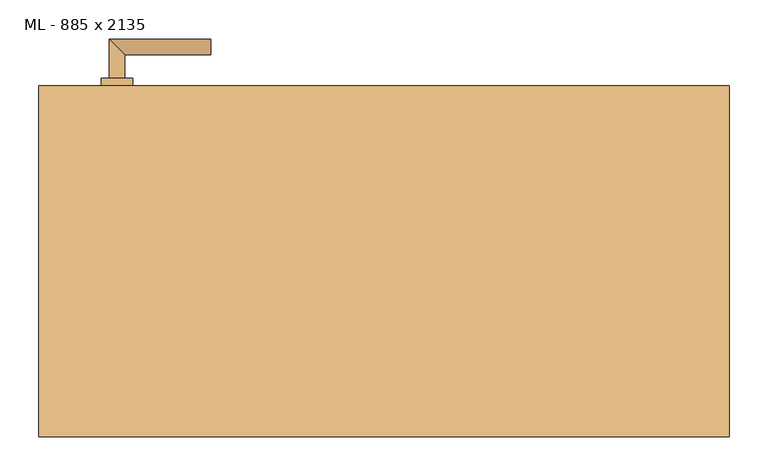
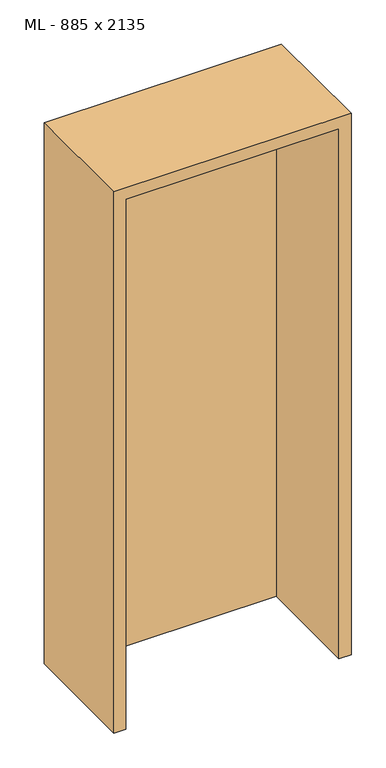
"""IFC4 building model written with IfcOpenShell, lengths in millimetres: door geometry, ML - 885 x 2135."""

import ifcopenshell
import ifcopenshell.guid

model = None  # the IFC model being written
_history = None  # IfcOwnerHistory: only IFC2X3 demands one
_inside = {}  # id of a spatial element -> (the spatial element, [elements in it])
_under = {}  # id of a project, library or spatial element -> (it, [spatial elements below it])
_declared = {}  # id of a project -> (the project, [libraries it declares])
_typed = {}  # id of a type object -> (the type object, [elements of that type])
_made_of = {}  # id of a material, layer set ... -> (it, [elements and type objects made of it])


def new_model(schema):
    """Start an empty IFC model of exactly this schema.

    Asked for "IFC4X3", IfcOpenShell would pick the latest addendum, in which some entities
    have other attributes; the version numbers below select the first issue.
    IFC2X3 requires an IfcOwnerHistory on every rooted entity: one is made here for all.
    """
    global model, _history
    if schema == "IFC4X3":
        model = ifcopenshell.file(schema_version=(4, 3, 0, 0))
    else:
        model = ifcopenshell.file(schema=schema)
    _inside.clear()
    _under.clear()
    _declared.clear()
    _typed.clear()
    _made_of.clear()
    _history = None
    if model.schema == "IFC2X3":
        org = make("IfcOrganization", Name="unknown")
        user = make(
            "IfcPersonAndOrganization",
            ThePerson=make("IfcPerson", FamilyName="unknown"),
            TheOrganization=org,
        )
        app = make(
            "IfcApplication",
            ApplicationDeveloper=org,
            Version="unknown",
            ApplicationFullName="unknown",
            ApplicationIdentifier="unknown",
        )
        _history = make(
            "IfcOwnerHistory",
            OwningUser=user,
            OwningApplication=app,
            ChangeAction="ADDED",
            CreationDate=0,
        )
    return model


def make(cls, **values):
    """One entity of the class cls with the attributes given. An attribute that is None is left unset."""
    return model.create_entity(
        cls, **{name: value for name, value in values.items() if value is not None}
    )


def rooted(cls, **values):
    """An entity with a GlobalId (a new one), such as an element, a storey or a relation."""
    return make(cls, GlobalId=ifcopenshell.guid.new(), OwnerHistory=_history, **values)


def si_unit(unit_type, name, prefix=None):
    """IfcSIUnit, for example si_unit("LENGTHUNIT", "METRE", prefix="MILLI")."""
    return make("IfcSIUnit", UnitType=unit_type, Prefix=prefix, Name=name)


def assignment(units):
    """IfcUnitAssignment: the units of a project."""
    return None if units is None else make("IfcUnitAssignment", Units=units)


def point(xyz):
    """IfcCartesianPoint."""
    return None if xyz is None else make("IfcCartesianPoint", Coordinates=xyz)


def direction(xyz):
    """IfcDirection."""
    return None if xyz is None else make("IfcDirection", DirectionRatios=xyz)


def frame(location, z_axis=None, x_axis=None):
    """IfcAxis2Placement3D, a coordinate frame: its origin and axes. An axis left out is left unset."""
    return make(
        "IfcAxis2Placement3D",
        Location=point(location),
        Axis=direction(z_axis),
        RefDirection=direction(x_axis),
    )


def frame_2d(location, x_axis=None):
    """IfcAxis2Placement2D, a coordinate frame in the plane: its origin and x axis."""
    return make(
        "IfcAxis2Placement2D", Location=point(location), RefDirection=direction(x_axis)
    )


def origin():
    """The frame at (0, 0, 0) with its axes left unset."""
    return frame((0.0, 0.0, 0.0))


def origin_with_axes():
    """The frame at (0, 0, 0) with the z axis (0, 0, 1) and the x axis (1, 0, 0) written out."""
    return frame((0.0, 0.0, 0.0), z_axis=(0.0, 0.0, 1.0), x_axis=(1.0, 0.0, 0.0))


def place(relative_to, where):
    """IfcLocalPlacement: puts the frame where relative to a parent placement (None: the world)."""
    return make(
        "IfcLocalPlacement", PlacementRelTo=relative_to, RelativePlacement=where
    )


def context(
    kind, dimensions, precision=None, world=None, true_north=None, identifier=None
):
    """IfcGeometricRepresentationContext, for example the 3D "Model" context."""
    return make(
        "IfcGeometricRepresentationContext",
        ContextIdentifier=identifier,
        ContextType=kind,
        CoordinateSpaceDimension=dimensions,
        Precision=precision,
        WorldCoordinateSystem=world,
        TrueNorth=true_north,
    )


def project(units=None, contexts=None):
    """IfcProject with its units and contexts."""
    return rooted(
        "IfcProject",
        Name="project",
        RepresentationContexts=contexts,
        UnitsInContext=assignment(units),
    )


def spatial(cls, under=None, at=None, **own):
    """A site, building, storey or space (cls), placed at a placement, below another one or the project."""
    s = rooted(cls, ObjectPlacement=at, **own)
    if under is not None:
        _under.setdefault(under.id(), (under, []))[1].append(s)
    return s


def polyline(points):
    """IfcPolyline through the points."""
    return make("IfcPolyline", Points=[point(p) for p in points])


def circle_curve(where, radius):
    """IfcCircle in the frame where."""
    return make("IfcCircle", Position=where, Radius=radius)


def ellipse_curve(where, semi_axis1, semi_axis2):
    """IfcEllipse in the frame where."""
    return make(
        "IfcEllipse", Position=where, SemiAxis1=semi_axis1, SemiAxis2=semi_axis2
    )


def trimmed(basis, trim1, trim2, sense, master):
    """IfcTrimmedCurve: the piece of a basis curve between two trims."""
    return make(
        "IfcTrimmedCurve",
        BasisCurve=basis,
        Trim1=trim1,
        Trim2=trim2,
        SenseAgreement=sense,
        MasterRepresentation=master,
    )


def segment(curve, same_sense, transition):
    """IfcCompositeCurveSegment."""
    return make(
        "IfcCompositeCurveSegment",
        Transition=transition,
        SameSense=same_sense,
        ParentCurve=curve,
    )


def composite_curve(segments, self_intersect=None):
    """IfcCompositeCurve: segments joined end to end."""
    return make("IfcCompositeCurve", Segments=segments, SelfIntersect=self_intersect)


def outline(outer, holes=None, kind="AREA"):
    """IfcArbitraryClosedProfileDef: a profile drawn as a closed curve; with holes, ...WithVoids."""
    if holes is None:
        return make("IfcArbitraryClosedProfileDef", ProfileType=kind, OuterCurve=outer)
    return make(
        "IfcArbitraryProfileDefWithVoids",
        ProfileType=kind,
        OuterCurve=outer,
        InnerCurves=holes,
    )


def extrude(swept, where, along, depth):
    """IfcExtrudedAreaSolid: the profile swept, set in the frame where, extruded along a direction by depth."""
    return make(
        "IfcExtrudedAreaSolid",
        SweptArea=swept,
        Position=where,
        ExtrudedDirection=direction(along),
        Depth=depth,
    )


def faces_of(points, faces, orient=None, outer=None):
    """IfcFace entities. A face is a list of loops; a loop is a list of indices into points, from 0.

    orient and outer hold one flag for each loop. By default every Orientation is true, the
    first loop of a face is its IfcFaceOuterBound and the others are IfcFaceBound.
    """
    made = []
    for i, loops in enumerate(faces):
        bounds = []
        for j, loop in enumerate(loops):
            is_outer = j == 0 if outer is None else outer[i][j]
            bounds.append(
                make(
                    "IfcFaceOuterBound" if is_outer else "IfcFaceBound",
                    Bound=make("IfcPolyLoop", Polygon=[points[k] for k in loop]),
                    Orientation=True if orient is None else orient[i][j],
                )
            )
        made.append(make("IfcFace", Bounds=bounds))
    return made


def faceted_brep(points, faces, orient=None, outer=None, voids=None):
    """IfcFacetedBrep: a solid bounded by flat faces; with voids (closed shells), ...WithVoids."""
    shared = [point(p) for p in points]
    hull = make("IfcClosedShell", CfsFaces=faces_of(shared, faces, orient, outer))
    if voids is None:
        return make("IfcFacetedBrep", Outer=hull)
    return make(
        "IfcFacetedBrepWithVoids",
        Outer=hull,
        Voids=[
            make(cls, CfsFaces=faces_of(shared, fs, o, b)) for cls, fs, o, b in voids
        ],
    )


def shape(context_of_items, identifier, shape_type, items):
    """IfcShapeRepresentation: the items that make up one representation, for example the "Body"."""
    return make(
        "IfcShapeRepresentation",
        ContextOfItems=context_of_items,
        RepresentationIdentifier=identifier,
        RepresentationType=shape_type,
        Items=items,
    )


def source(mapping_origin, context_of_items, identifier, shape_type, items):
    """IfcRepresentationMap: a shape defined once, which mapped items show again and again."""
    return make(
        "IfcRepresentationMap",
        MappingOrigin=mapping_origin,
        MappedRepresentation=shape(context_of_items, identifier, shape_type, items),
    )


def transform(
    local_origin,
    x_axis=None,
    y_axis=None,
    z_axis=None,
    scale=None,
    scale2=None,
    scale3=None,
    uniform=True,
):
    """IfcCartesianTransformationOperator3D, or its non-uniform kind. x_axis, y_axis, z_axis: its Axis1, 2, 3."""
    if uniform:
        return make(
            "IfcCartesianTransformationOperator3D",
            Axis1=direction(x_axis),
            Axis2=direction(y_axis),
            LocalOrigin=point(local_origin),
            Scale=scale,
            Axis3=direction(z_axis),
        )
    return make(
        "IfcCartesianTransformationOperator3DnonUniform",
        Axis1=direction(x_axis),
        Axis2=direction(y_axis),
        LocalOrigin=point(local_origin),
        Scale=scale,
        Axis3=direction(z_axis),
        Scale2=scale2,
        Scale3=scale3,
    )


def mapped(mapping_source, mapping_target):
    """IfcMappedItem: shows the shape of a source again, moved by a transform."""
    return make(
        "IfcMappedItem", MappingSource=mapping_source, MappingTarget=mapping_target
    )


def made_of(thing, what):
    """Note that an element or type object is made of a material, layer set ...; save() writes the relation."""
    if what is not None:
        _made_of.setdefault(what.id(), (what, []))[1].append(thing)
    return thing


def element(
    cls,
    number,
    at=None,
    inside=None,
    cuts=None,
    type_object=None,
    material=None,
    context=None,
    identifier="Body",
    shape_type=None,
    held_by="IfcProductDefinitionShape",
    body=None,
    shapes=None,
    **own,
):
    """One element of the class cls, such as IfcWall. Its Tag is "e" and its number.

    at: its placement. inside: the storey or other place that contains it. cuts: it is an
    opening in that element (IfcRelVoidsElement). A single representation is given by context,
    identifier, shape_type and body (its items); several are given by shapes. held_by: the class
    of the entity that holds the representations. save() writes the other relations.
    """
    e = rooted(cls, Tag="e%d" % number, ObjectPlacement=at, **own)
    if body is not None:
        shapes = [shape(context, identifier, shape_type, body)]
    if shapes is not None:
        e.Representation = make(held_by, Representations=shapes)
    if inside is not None:
        _inside.setdefault(inside.id(), (inside, []))[1].append(e)
    if cuts is not None:
        rooted(
            "IfcRelVoidsElement", RelatingBuildingElement=cuts, RelatedOpeningElement=e
        )
    if type_object is not None:
        _typed.setdefault(type_object.id(), (type_object, []))[1].append(e)
    return made_of(e, material)


def aggregate(whole, parts):
    """IfcRelAggregates: a whole, such as a stair, and the parts it consists of."""
    return rooted("IfcRelAggregates", RelatingObject=whole, RelatedObjects=parts)


def save(model, path):
    """Write the relations noted so far, then the file.

    IfcRelAggregates (storeys below a building ...), IfcRelContainedInSpatialStructure (elements
    in a storey), IfcRelDefinesByType, IfcRelAssociatesMaterial and IfcRelDeclares: one each for
    every whole, place, type object, material and project.
    """
    for whole, parts in _under.values():
        aggregate(whole, parts)
    for where, things in _inside.values():
        rooted(
            "IfcRelContainedInSpatialStructure",
            RelatedElements=things,
            RelatingStructure=where,
        )
    for kind, things in _typed.values():
        rooted("IfcRelDefinesByType", RelatedObjects=things, RelatingType=kind)
    for what, things in _made_of.values():
        rooted("IfcRelAssociatesMaterial", RelatedObjects=things, RelatingMaterial=what)
    for by, libraries in _declared.values():
        rooted("IfcRelDeclares", RelatingContext=by, RelatedDefinitions=libraries)
    model.write(path)


def plane_surface(at):
    """IfcPlane: the flat surface through the origin of the frame at, square to its z axis."""
    return make("IfcPlane", Position=at)


def cylinder_surface(at, radius):
    """IfcCylindricalSurface: all points at the distance radius from the z axis of the frame at."""
    return make("IfcCylindricalSurface", Position=at, Radius=radius)


def advanced_brep(points, edges, surfaces, faces):
    """IfcAdvancedBrep: a solid bounded by faces that lie on surfaces and meet in shared edges.

    An edge is (start, end): straight between two places in points (the first is 0);
    or (start, end, curve); or (start, end, curve, False) where it runs against its curve.
    A face is (place in surfaces, loops), or (place, loops, False) where it looks against
    its surface's normal. A loop lists edges by number (the first is 1), with a minus sign
    where the edge is run from its end to its start. The first loop is the outer one.
    """
    corners = [point(p) for p in points]
    vertices = [make("IfcVertexPoint", VertexGeometry=c) for c in corners]
    made = []
    for start, end, *more in edges:
        made.append(
            make(
                "IfcEdgeCurve",
                EdgeStart=vertices[start],
                EdgeEnd=vertices[end],
                EdgeGeometry=more[0] if more else make("IfcPolyline", Points=[corners[start], corners[end]]),
                SameSense=more[1] if len(more) > 1 else True,
            )
        )
    hull = []
    for where, loops, *sense in faces:
        bounds = []
        for j, loop in enumerate(loops):
            ring = [make("IfcOrientedEdge", EdgeElement=made[abs(k) - 1], Orientation=k > 0) for k in loop]
            bounds.append(
                make(
                    "IfcFaceOuterBound" if j == 0 else "IfcFaceBound",
                    Bound=make("IfcEdgeLoop", EdgeList=ring),
                    Orientation=True,
                )
            )
        hull.append(make("IfcAdvancedFace", Bounds=bounds, FaceSurface=surfaces[where], SameSense=sense[0] if sense else True))
    return make("IfcAdvancedBrep", Outer=make("IfcClosedShell", CfsFaces=hull))


def ml_885_x_2135_4ef74709(model_context):
    return source(origin(), model_context, "Body", "SolidModel", [
        extrude(outline(polyline([(408.5, 225.0), (408.5, 180.0), (-408.5, 180.0), (-408.5, 225.0), (408.5, 225.0)])), origin_with_axes(), (0.0, 0.0, 1.0), 2101.0),
        advanced_brep(
        [(-332.5, 235.0, 1050.0), (-352.5, 235.0, 1050.0), (-332.5, 265.0, 1050.0), (-352.5, 285.0, 1050.0), (-222.5, 265.0, 1050.0), (-222.5, 285.0, 1050.0)],
        [
            (0, 1, circle_curve(frame((-342.5, 235.0, 1050.0), z_axis=(0.0, -1.0, 0.0), x_axis=(-1.0, 0.0, 0.0)), 10.0)),
            (1, 0, circle_curve(frame((-342.5, 235.0, 1050.0), z_axis=(0.0, -1.0, 0.0), x_axis=(-1.0, 0.0, 0.0)), 10.0)),
            (0, 2),
            (2, 3, ellipse_curve(frame((-342.5, 275.0, 1050.0), z_axis=(-0.7071067811865531, -0.7071067811865419, 0.0), x_axis=(0.707106781186542, -0.707106781186553, 0.0)), 14.1421356, 10.0)),
            (3, 1),
            (3, 2, ellipse_curve(frame((-342.5, 275.0, 1050.0), z_axis=(-0.7071067811865531, -0.7071067811865419, 0.0), x_axis=(0.707106781186542, -0.707106781186553, 0.0)), 14.1421356, 10.0)),
            (4, 5, circle_curve(frame((-222.5, 275.0, 1050.0), z_axis=(1.0, 0.0, 0.0), x_axis=(0.0, 1.0, 0.0)), 10.0)),
            (5, 4, circle_curve(frame((-222.5, 275.0, 1050.0), z_axis=(1.0, 0.0, 0.0), x_axis=(0.0, 1.0, 0.0)), 10.0)),
            (2, 4),
            (5, 3),
        ],
        [
            plane_surface(frame((-342.5, 235.0, 1050.0), z_axis=(0.0, -1.0, 0.0), x_axis=(0.0, 0.0, 1.0))),
            cylinder_surface(frame((-342.5, 235.0, 1050.0), z_axis=(0.0, -1.0, 0.0), x_axis=(-1.0, 0.0, 0.0)), 10.0),
            plane_surface(frame((-222.5, 275.0, 1050.0), z_axis=(1.0, 0.0, 0.0), x_axis=(0.0, 0.0, 1.0))),
            cylinder_surface(frame((-342.5, 275.0, 1050.0), z_axis=(-1.0, 0.0, 0.0), x_axis=(0.0, 1.0, 0.0)), 10.0),
        ],
        [
            (0, [[1, 2]]),
            (1, [[-1, 3, 4, 5]]),
            (1, [[-2, -5, 6, -3]]),
            (2, [[7, 8]]),
            (3, [[-4, 9, -8, 10]]),
            (3, [[-6, -10, -7, -9]]),
        ],
    ),
        extrude(outline(composite_curve([segment(trimmed(circle_curve(frame_2d((990.0, -342.5)), 20.0), [point((990.0, -362.5))], [point((990.0, -322.5))], False, "CARTESIAN"), True, "CONTINUOUS"), segment(trimmed(circle_curve(frame_2d((990.0, -342.5)), 20.0), [point((990.0, -322.5))], [point((990.0, -362.5))], False, "CARTESIAN"), True, "CONTINUOUS")], self_intersect=False), holes=[composite_curve([segment(polyline([(976.4601385, -344.897268), (988.4749012, -344.897268)]), True, "CONTINUOUS"), segment(trimmed(circle_curve(frame_2d((995.0361633, -342.5)), 6.9854888), [point((988.4749012, -344.897268))], [point((988.4749012, -340.102732))], True, "CARTESIAN"), True, "CONTINUOUS"), segment(polyline([(988.4749012, -340.102732), (976.4601385, -340.102732)]), True, "CONTINUOUS"), segment(trimmed(circle_curve(frame_2d((976.4601385, -342.5)), 2.397268), [point((976.4601385, -340.102732))], [point((976.4601385, -344.897268))], True, "CARTESIAN"), True, "CONTINUOUS")], self_intersect=False)]), frame((0.0, 225.0, 0.0), z_axis=(0.0, 1.0, 0.0), x_axis=(0.0, 0.0, 1.0)), (0.0, 0.0, 1.0), 10.0),
        advanced_brep(
        [(-332.5, 235.0, 1050.0), (-352.5, 235.0, 1050.0), (-332.5, 265.0, 1050.0), (-352.5, 285.0, 1050.0), (-222.5, 265.0, 1050.0), (-222.5, 285.0, 1050.0)],
        [
            (0, 1, circle_curve(frame((-342.5, 235.0, 1050.0), z_axis=(0.0, -1.0, 0.0), x_axis=(-1.0, 0.0, 0.0)), 10.0)),
            (1, 0, circle_curve(frame((-342.5, 235.0, 1050.0), z_axis=(0.0, -1.0, 0.0), x_axis=(-1.0, 0.0, 0.0)), 10.0)),
            (0, 2),
            (2, 3, ellipse_curve(frame((-342.5, 275.0, 1050.0), z_axis=(-0.7071067811865537, -0.7071067811865414, 0.0), x_axis=(0.7071067811865414, -0.7071067811865536, 0.0)), 14.1421356, 10.0)),
            (3, 1),
            (3, 2, ellipse_curve(frame((-342.5, 275.0, 1050.0), z_axis=(-0.7071067811865537, -0.7071067811865414, 0.0), x_axis=(0.7071067811865414, -0.7071067811865536, 0.0)), 14.1421356, 10.0)),
            (4, 5, circle_curve(frame((-222.5, 275.0, 1050.0), z_axis=(1.0, 0.0, 0.0), x_axis=(0.0, 1.0, 0.0)), 10.0)),
            (5, 4, circle_curve(frame((-222.5, 275.0, 1050.0), z_axis=(1.0, 0.0, 0.0), x_axis=(0.0, 1.0, 0.0)), 10.0)),
            (2, 4),
            (5, 3),
        ],
        [
            plane_surface(frame((-342.5, 235.0, 1050.0), z_axis=(0.0, -1.0, 0.0), x_axis=(0.0, 0.0, 1.0))),
            cylinder_surface(frame((-342.5, 235.0, 1050.0), z_axis=(0.0, -1.0, 0.0), x_axis=(-1.0, 0.0, 0.0)), 10.0),
            plane_surface(frame((-222.5, 275.0, 1050.0), z_axis=(1.0, 0.0, 0.0), x_axis=(0.0, 0.0, 1.0))),
            cylinder_surface(frame((-342.5, 275.0, 1050.0), z_axis=(-1.0, 0.0, 0.0), x_axis=(0.0, 1.0, 0.0)), 10.0),
        ],
        [
            (0, [[1, 2]]),
            (1, [[-1, 3, 4, 5]]),
            (1, [[-2, -5, 6, -3]]),
            (2, [[7, 8]]),
            (3, [[-4, 9, -8, 10]]),
            (3, [[-6, -10, -7, -9]]),
        ],
    ),
        extrude(outline(composite_curve([segment(trimmed(circle_curve(frame_2d((1050.0, -342.5)), 20.0), [point((1050.0, -362.5))], [point((1050.0, -322.5))], False, "CARTESIAN"), True, "CONTINUOUS"), segment(trimmed(circle_curve(frame_2d((1050.0, -342.5)), 20.0), [point((1050.0, -322.5))], [point((1050.0, -362.5))], False, "CARTESIAN"), True, "CONTINUOUS")], self_intersect=False)), frame((0.0, 225.0, 0.0), z_axis=(0.0, 1.0, 0.0), x_axis=(0.0, 0.0, 1.0)), (0.0, 0.0, 1.0), 10.0),
        advanced_brep(
        [(-332.5, 170.0, 1050.0), (-352.5, 170.0, 1050.0), (-352.5, 120.0, 1050.0), (-332.5, 140.0, 1050.0), (-222.5, 140.0, 1050.0), (-222.5, 120.0, 1050.0)],
        [
            (0, 1, circle_curve(frame((-342.5, 170.0, 1050.0), z_axis=(0.0, 1.0, 0.0), x_axis=(-1.0, 0.0, 0.0)), 10.0)),
            (1, 0, circle_curve(frame((-342.5, 170.0, 1050.0), z_axis=(0.0, 1.0, 0.0), x_axis=(-1.0, 0.0, 0.0)), 10.0)),
            (1, 2),
            (2, 3, ellipse_curve(frame((-342.5, 130.0, 1050.0), z_axis=(-0.7071067811865486, 0.7071067811865464, 0.0), x_axis=(0.7071067811865464, 0.7071067811865488, 0.0)), 14.1421356, 10.0)),
            (3, 0),
            (3, 2, ellipse_curve(frame((-342.5, 130.0, 1050.0), z_axis=(-0.7071067811865486, 0.7071067811865464, 0.0), x_axis=(0.7071067811865464, 0.7071067811865488, 0.0)), 14.1421356, 10.0)),
            (4, 5, circle_curve(frame((-222.5, 130.0, 1050.0), z_axis=(1.0, 0.0, 0.0), x_axis=(0.0, -1.0, 0.0)), 10.0)),
            (5, 4, circle_curve(frame((-222.5, 130.0, 1050.0), z_axis=(1.0, 0.0, 0.0), x_axis=(0.0, -1.0, 0.0)), 10.0)),
            (2, 5),
            (4, 3),
        ],
        [
            plane_surface(frame((-342.5, 170.0, 1050.0), z_axis=(0.0, 1.0, 0.0), x_axis=(0.0, 0.0, 1.0))),
            cylinder_surface(frame((-342.5, 170.0, 1050.0), z_axis=(0.0, 1.0, 0.0), x_axis=(-1.0, 0.0, 0.0)), 10.0),
            plane_surface(frame((-222.5, 130.0, 1050.0), z_axis=(1.0, 0.0, 0.0), x_axis=(0.0, 0.0, 1.0))),
            cylinder_surface(frame((-342.5, 130.0, 1050.0), z_axis=(-1.0, 0.0, 0.0), x_axis=(0.0, -1.0, 0.0)), 10.0),
        ],
        [
            (0, [[1, 2]]),
            (1, [[3, 4, 5, -2]]),
            (1, [[-5, 6, -3, -1]]),
            (2, [[7, 8]]),
            (3, [[9, -7, 10, -4]]),
            (3, [[-10, -8, -9, -6]]),
        ],
    ),
        extrude(outline(composite_curve([segment(trimmed(circle_curve(frame_2d((990.0, -342.5)), 20.0), [point((990.0, -362.5))], [point((990.0, -322.5))], False, "CARTESIAN"), True, "CONTINUOUS"), segment(trimmed(circle_curve(frame_2d((990.0, -342.5)), 20.0), [point((990.0, -322.5))], [point((990.0, -362.5))], False, "CARTESIAN"), True, "CONTINUOUS")], self_intersect=False), holes=[composite_curve([segment(polyline([(976.4601385, -344.897268), (988.4749012, -344.897268)]), True, "CONTINUOUS"), segment(trimmed(circle_curve(frame_2d((995.0361633, -342.5)), 6.9854888), [point((988.4749012, -344.897268))], [point((988.4749012, -340.102732))], True, "CARTESIAN"), True, "CONTINUOUS"), segment(polyline([(988.4749012, -340.102732), (976.4601385, -340.102732)]), True, "CONTINUOUS"), segment(trimmed(circle_curve(frame_2d((976.4601385, -342.5)), 2.397268), [point((976.4601385, -340.102732))], [point((976.4601385, -344.897268))], True, "CARTESIAN"), True, "CONTINUOUS")], self_intersect=False)]), frame((0.0, 170.0, 0.0), z_axis=(0.0, 1.0, 0.0), x_axis=(0.0, 0.0, 1.0)), (0.0, 0.0, 1.0), 10.0),
        advanced_brep(
        [(-332.5, 170.0, 1050.0), (-352.5, 170.0, 1050.0), (-352.5, 120.0, 1050.0), (-332.5, 140.0, 1050.0), (-222.5, 140.0, 1050.0), (-222.5, 120.0, 1050.0)],
        [
            (0, 1, circle_curve(frame((-342.5, 170.0, 1050.0), z_axis=(0.0, 1.0, 0.0), x_axis=(-1.0, 0.0, 0.0)), 10.0)),
            (1, 0, circle_curve(frame((-342.5, 170.0, 1050.0), z_axis=(0.0, 1.0, 0.0), x_axis=(-1.0, 0.0, 0.0)), 10.0)),
            (1, 2),
            (2, 3, ellipse_curve(frame((-342.5, 130.0, 1050.0), z_axis=(-0.7071067811865491, 0.7071067811865459, 0.0), x_axis=(0.7071067811865458, 0.7071067811865492, 0.0)), 14.1421356, 10.0)),
            (3, 0),
            (3, 2, ellipse_curve(frame((-342.5, 130.0, 1050.0), z_axis=(-0.7071067811865491, 0.7071067811865459, 0.0), x_axis=(0.7071067811865458, 0.7071067811865492, 0.0)), 14.1421356, 10.0)),
            (4, 5, circle_curve(frame((-222.5, 130.0, 1050.0), z_axis=(1.0, 0.0, 0.0), x_axis=(0.0, -1.0, 0.0)), 10.0)),
            (5, 4, circle_curve(frame((-222.5, 130.0, 1050.0), z_axis=(1.0, 0.0, 0.0), x_axis=(0.0, -1.0, 0.0)), 10.0)),
            (2, 5),
            (4, 3),
        ],
        [
            plane_surface(frame((-342.5, 170.0, 1050.0), z_axis=(0.0, 1.0, 0.0), x_axis=(0.0, 0.0, 1.0))),
            cylinder_surface(frame((-342.5, 170.0, 1050.0), z_axis=(0.0, 1.0, 0.0), x_axis=(-1.0, 0.0, 0.0)), 10.0),
            plane_surface(frame((-222.5, 130.0, 1050.0), z_axis=(1.0, 0.0, 0.0), x_axis=(0.0, 0.0, 1.0))),
            cylinder_surface(frame((-342.5, 130.0, 1050.0), z_axis=(-1.0, 0.0, 0.0), x_axis=(0.0, -1.0, 0.0)), 10.0),
        ],
        [
            (0, [[1, 2]]),
            (1, [[3, 4, 5, -2]]),
            (1, [[-5, 6, -3, -1]]),
            (2, [[7, 8]]),
            (3, [[9, -7, 10, -4]]),
            (3, [[-10, -8, -9, -6]]),
        ],
    ),
        extrude(outline(composite_curve([segment(trimmed(circle_curve(frame_2d((1050.0, -342.5)), 20.0), [point((1050.0, -362.5))], [point((1050.0, -322.5))], False, "CARTESIAN"), True, "CONTINUOUS"), segment(trimmed(circle_curve(frame_2d((1050.0, -342.5)), 20.0), [point((1050.0, -322.5))], [point((1050.0, -362.5))], False, "CARTESIAN"), True, "CONTINUOUS")], self_intersect=False)), frame((0.0, 170.0, 0.0), z_axis=(0.0, 1.0, 0.0), x_axis=(0.0, 0.0, 1.0)), (0.0, 0.0, 1.0), 10.0),
        faceted_brep([(-412.5, 225.0, 0.0), (-412.5, 180.0, 0.0), (-397.5, 180.0, 0.0), (-397.5, -225.0, 0.0), (-442.5, -225.0, 0.0), (-442.5, 225.0, 0.0), (-412.5, 225.0, 2105.0), (-412.5, 180.0, 2105.0), (412.5, 180.0, 2105.0), (412.5, 180.0, 0.0), (397.5, 180.0, 0.0), (397.5, 180.0, 2090.0), (-397.5, 180.0, 2090.0), (-397.5, -225.0, 2090.0), (397.5, -225.0, 2090.0), (397.5, -225.0, 0.0), (442.5, -225.0, 0.0), (442.5, -225.0, 2135.0), (-442.5, -225.0, 2135.0), (-442.5, 225.0, 2135.0), (442.5, 225.0, 2135.0), (442.5, 225.0, 0.0), (412.5, 225.0, 0.0), (412.5, 225.0, 2105.0)], [[[0, 1, 2, 3, 4, 5]], [[1, 0, 6, 7]], [[2, 1, 7, 8, 9, 10, 11, 12]], [[3, 2, 12, 13]], [[4, 3, 13, 14, 15, 16, 17, 18]], [[5, 4, 18, 19]], [[0, 5, 19, 20, 21, 22, 23, 6]], [[20, 17, 16, 21]], [[22, 21, 16, 15, 10, 9]], [[8, 23, 22, 9]], [[14, 11, 10, 15]], [[19, 18, 17, 20]], [[13, 12, 11, 14]], [[7, 6, 23, 8]]]),
    ])


if __name__ == "__main__":
    model = new_model("IFC4")
    model_context = context("Model", 3, world=origin())
    ifc_project = project(units=[si_unit("LENGTHUNIT", "METRE", prefix="MILLI")], contexts=[model_context])
    site = spatial("IfcSite", under=ifc_project)
    building = spatial("IfcBuilding", under=site)
    placement = place(None, origin())
    ml_885_x_2135_shape = ml_885_x_2135_4ef74709(model_context)
    element("IfcDoor", 1, ObjectType="ML - 885 x 2135", at=placement, inside=building, context=model_context, shape_type="MappedRepresentation", body=[
        mapped(ml_885_x_2135_shape, transform((0.0, 0.0, 0.0), x_axis=(1.0, 0.0, 0.0), y_axis=(0.0, 1.0, 0.0), z_axis=(0.0, 0.0, 1.0))),
    ])
    save(model, "model.ifc")
